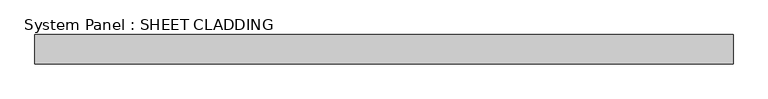
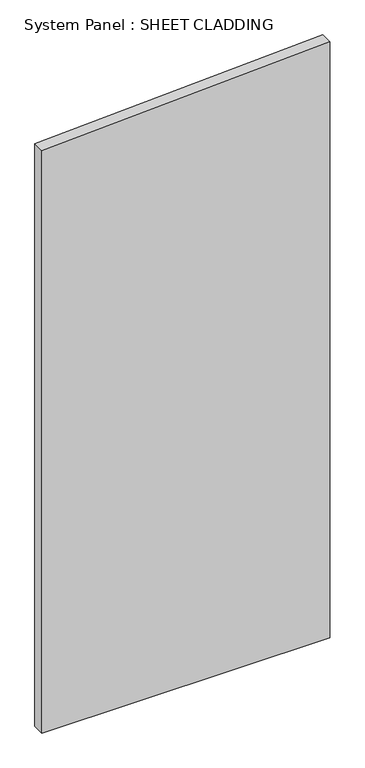
"""IFC4 building model written with IfcOpenShell, lengths in millimetres: plate geometry, System Panel : SHEET CLADDING."""

from ifc_helpers import new_model, si_unit, frame, origin, place, context, project, spatial, polyline, outline, extrude, source, transform, mapped, element, save


def system_panel_sheet_cladding_ce3bfa12(model_context):
    return source(origin(), model_context, "Body", "SweptSolid", [
        extrude(outline(polyline([(0.0, -718.75), (0.0, 718.75), (3144.475, 718.75), (3072.6, -718.75), (0.0, -718.75)])), frame((0.0, -49.5, 0.0), z_axis=(0.0, 1.0, 0.0), x_axis=(0.0, 0.0, 1.0)), (0.0, 0.0, 1.0), 60.0),
    ])


if __name__ == "__main__":
    model = new_model("IFC4")
    model_context = context("Model", 3, world=origin())
    ifc_project = project(units=[si_unit("LENGTHUNIT", "METRE", prefix="MILLI")], contexts=[model_context])
    site = spatial("IfcSite", under=ifc_project)
    building = spatial("IfcBuilding", under=site)
    placement = place(None, origin())
    system_panel_sheet_cladding_shape = system_panel_sheet_cladding_ce3bfa12(model_context)
    element("IfcPlate", 1, ObjectType="System Panel : SHEET CLADDING", at=placement, inside=building, context=model_context, shape_type="MappedRepresentation", body=[
        mapped(system_panel_sheet_cladding_shape, transform((0.0, 0.0, 0.0), x_axis=(1.0, 0.0, 0.0), y_axis=(0.0, 1.0, 0.0), z_axis=(0.0, 0.0, 1.0))),
    ])
    save(model, "model.ifc")
